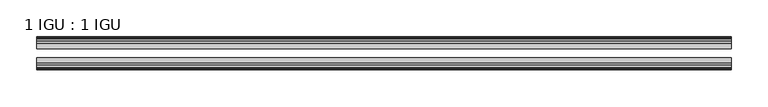
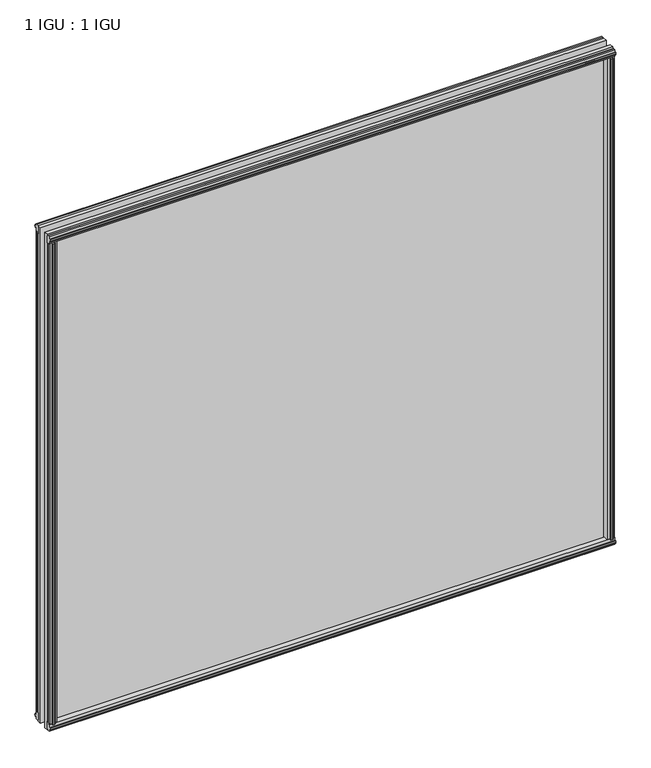
"""IFC4 building model written with IfcOpenShell, lengths in millimetres: plate geometry, 1 IGU : 1 IGU."""

from ifc_helpers import new_model, si_unit, frame, origin, origin_with_axes, place, context, project, spatial, polyline, outline, extrude, source, transform, mapped, element, save


def plate_1_igu_1_igu_43266136(model_context):
    return source(origin(), model_context, "Body", "SweptSolid", [
        extrude(outline(polyline([(458.7578606, -19.5460937), (460.8631377, -13.1960937), (466.0703321, -13.1960937), (466.4513321, -10.8158968), (465.035803, -11.27583), (465.035803, -10.4746158), (467.2133321, -9.7670937), (469.3908611, -10.4746158), (469.3908611, -11.27583), (467.9753321, -10.8158968), (468.3563321, -13.1960937), (472.8013321, -13.1960937), (472.8013321, -16.1419073), (470.5882546, -19.5460937), (458.7578606, -19.5460937)])), origin_with_axes(), (0.0, 0.0, 1.0), 850.9),
        extrude(outline(polyline([(-458.7578606, -19.5460937), (-470.5882546, -19.5460937), (-472.8013321, -16.1419073), (-472.8013321, -13.1960937), (-468.3563321, -13.1960937), (-467.9753321, -10.8158968), (-469.3908611, -11.27583), (-469.3908611, -10.4746158), (-467.2133321, -9.7670937), (-465.035803, -10.4746158), (-465.035803, -11.27583), (-466.4513321, -10.8158968), (-466.0703321, -13.1960937), (-460.8631377, -13.1960937), (-458.7578606, -19.5460937)])), origin_with_axes(), (0.0, 0.0, 1.0), 850.9),
        extrude(outline(polyline([(-16.1419073, -12.4576852), (-19.5460937, -10.2446077), (-19.5460937, 1.5857863), (-13.1960937, -0.5194908), (-13.1960937, -5.7266852), (-10.8158968, -6.1076852), (-11.27583, -4.6921562), (-10.4746158, -4.6921562), (-9.7670937, -6.8696852), (-10.4746158, -9.0472143), (-11.27583, -9.0472143), (-10.8158968, -7.6316852), (-13.1960937, -8.0126852), (-13.1960937, -12.4576852), (-16.1419073, -12.4576852)])), frame((-473.0436469, 0.0, 0.0), z_axis=(1.0, 0.0, 0.0), x_axis=(0.0, 1.0, 0.0)), (0.0, 0.0, 1.0), 946.0872938),
        extrude(outline(polyline([(-48.3502802, -11.938), (-51.2960937, -11.938), (-51.2960937, -7.493), (-53.6762907, -7.112), (-53.2163575, -8.5275291), (-54.0175717, -8.5275291), (-54.7250937, -6.35), (-54.0175717, -4.172471), (-53.2163575, -4.172471), (-53.6762907, -5.588), (-51.2960937, -5.207), (-51.2960937, 0.0001944), (-44.9460937, 2.1054715), (-44.9460937, -9.7249225), (-48.3502802, -11.938)])), frame((-473.0436469, 0.0, 0.0), z_axis=(1.0, 0.0, 0.0), x_axis=(0.0, 1.0, 0.0)), (0.0, 0.0, 1.0), 946.0872938),
        extrude(outline(polyline([(-16.1028367, 863.3576852), (-13.1960937, 863.3576852), (-13.1960937, 858.9126852), (-10.8158968, 858.5316852), (-11.27583, 859.9472143), (-10.4746158, 859.9472143), (-9.7670937, 857.7696852), (-10.4746158, 855.5921562), (-11.27583, 855.5921562), (-10.8158968, 857.0076852), (-13.1960937, 856.6266852), (-13.1960937, 851.3940908), (-19.5460937, 849.2888137), (-19.5460937, 861.1192077), (-16.1028367, 863.3576852)])), frame((-473.0436469, 0.0, 0.0), z_axis=(1.0, 0.0, 0.0), x_axis=(0.0, 1.0, 0.0)), (0.0, 0.0, 1.0), 946.0872938),
        extrude(outline(polyline([(-48.3893508, 862.8126), (-44.9460937, 860.5741225), (-44.9460937, 848.7437285), (-51.2960937, 850.8490056), (-51.2960937, 856.0816), (-53.6762907, 856.4626), (-53.2163575, 855.047071), (-54.0175717, 855.047071), (-54.7250938, 857.2246), (-54.0175717, 859.4021291), (-53.2163575, 859.4021291), (-53.6762907, 857.9866), (-51.2960937, 858.3676), (-51.2960937, 862.8126), (-48.3893508, 862.8126)])), frame((-473.0436469, 0.0, 0.0), z_axis=(1.0, 0.0, 0.0), x_axis=(0.0, 1.0, 0.0)), (0.0, 0.0, 1.0), 946.0872938),
        extrude(outline(polyline([(-458.2381754, -44.9460938), (-460.3434525, -51.2960938), (-465.5506469, -51.2960938), (-465.9316469, -53.6762907), (-464.5161178, -53.2163575), (-464.5161178, -54.0175717), (-466.6936469, -54.7250938), (-468.8711759, -54.0175717), (-468.8711759, -53.2163575), (-467.4556469, -53.6762907), (-467.8366469, -51.2960938), (-472.2816469, -51.2960938), (-472.2816469, -48.3502802), (-470.0685694, -44.9460938), (-458.2381754, -44.9460938)])), origin_with_axes(), (0.0, 0.0, 1.0), 850.9),
        extrude(outline(polyline([(458.2381754, -44.9460938), (470.0685694, -44.9460938), (472.2816469, -48.3502802), (472.2816469, -51.2960938), (467.8366469, -51.2960938), (467.4556469, -53.6762907), (468.8711759, -53.2163575), (468.8711759, -54.0175717), (466.6936469, -54.7250938), (464.5161178, -54.0175717), (464.5161178, -53.2163575), (465.9316469, -53.6762907), (465.5506469, -51.2960938), (460.3434525, -51.2960938), (458.2381754, -44.9460938)])), origin_with_axes(), (0.0, 0.0, 1.0), 850.9),
        extrude(outline(polyline([(473.0436469, -19.5460937), (473.0436469, -25.8337453), (-473.0436469, -25.8337453), (-473.0436469, -19.5460937), (473.0436469, -19.5460937)])), frame((0.0, 0.0, -12.7), z_axis=(0.0, 0.0, 1.0), x_axis=(1.0, 0.0, 0.0)), (0.0, 0.0, 1.0), 876.2872998),
        extrude(outline(polyline([(-473.0436469, -44.9460937), (-473.0436469, -38.6468938), (473.0436469, -38.6468938), (473.0436469, -44.9460937), (-473.0436469, -44.9460937)])), frame((0.0, 0.0, -12.7), z_axis=(0.0, 0.0, 1.0), x_axis=(1.0, 0.0, 0.0)), (0.0, 0.0, 1.0), 876.2872998),
    ])


if __name__ == "__main__":
    model = new_model("IFC4")
    model_context = context("Model", 3, world=origin())
    ifc_project = project(units=[si_unit("LENGTHUNIT", "METRE", prefix="MILLI")], contexts=[model_context])
    site = spatial("IfcSite", under=ifc_project)
    building = spatial("IfcBuilding", under=site)
    placement = place(None, origin())
    plate_1_igu_1_igu_shape = plate_1_igu_1_igu_43266136(model_context)
    element("IfcPlate", 1, ObjectType="1 IGU : 1 IGU", at=placement, inside=building, context=model_context, shape_type="MappedRepresentation", body=[
        mapped(plate_1_igu_1_igu_shape, transform((0.0, 0.0, 0.0), x_axis=(1.0, 0.0, 0.0), y_axis=(0.0, 1.0, 0.0), z_axis=(0.0, 0.0, 1.0))),
    ])
    save(model, "model.ifc")
